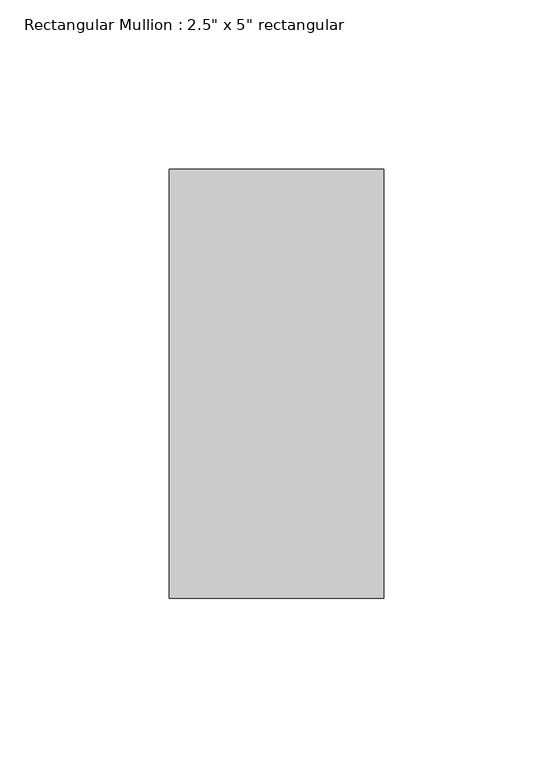
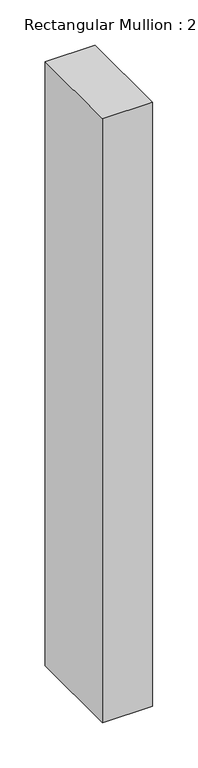
"""IFC4 building model written with IfcOpenShell, lengths in millimetres: member geometry."""

from ifc_helpers import new_model, si_unit, frame, origin, place, context, project, spatial, polyline, outline, extrude, source, transform, mapped, element, save


def member_adae16a1(model_context):
    return source(origin(), model_context, "Body", "SweptSolid", [
        extrude(outline(polyline([(0.0, 63.5), (0.0, -63.5), (-63.5, -63.5), (-63.5, 63.5), (0.0, 63.5)])), frame((0.0, 0.0, -813.2), z_axis=(0.0, 0.0, 1.0), x_axis=(1.0, 0.0, 0.0)), (0.0, 0.0, 1.0), 813.2),
    ])


if __name__ == "__main__":
    model = new_model("IFC4")
    model_context = context("Model", 3, world=origin())
    ifc_project = project(units=[si_unit("LENGTHUNIT", "METRE", prefix="MILLI")], contexts=[model_context])
    site = spatial("IfcSite", under=ifc_project)
    building = spatial("IfcBuilding", under=site)
    placement = place(None, origin())
    member_shape = member_adae16a1(model_context)
    element("IfcMember", 1, ObjectType="Rectangular Mullion : 2.5\" x 5\" rectangular", at=placement, inside=building, context=model_context, shape_type="MappedRepresentation", body=[
        mapped(member_shape, transform((0.0, 0.0, 0.0), x_axis=(1.0, 0.0, 0.0), y_axis=(0.0, 1.0, 0.0), z_axis=(0.0, 0.0, 1.0))),
    ])
    save(model, "model.ifc")
